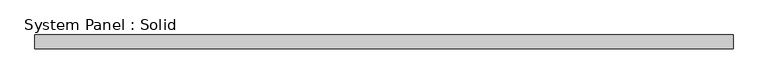
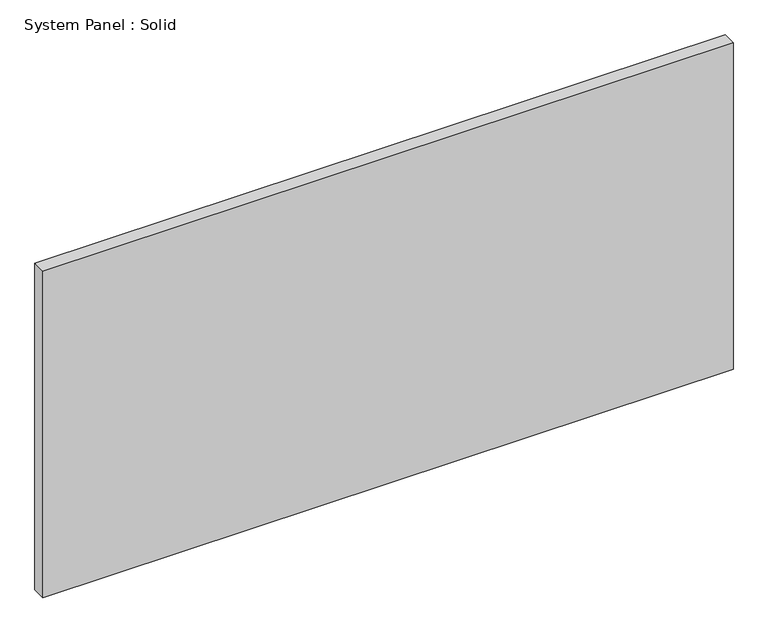
"""IFC4 building model written with IfcOpenShell, lengths in millimetres: plate geometry, System Panel : Solid."""

from ifc_helpers import new_model, si_unit, origin, origin_with_axes, place, context, project, spatial, polyline, outline, extrude, source, transform, mapped, element, save


def system_panel_solid_485e50ad(model_context):
    return source(origin(), model_context, "Body", "SweptSolid", [
        extrude(outline(polyline([(1500.0000002, -10.5), (-1500.0000002, -10.5), (-1500.0000002, 49.5), (1500.0000002, 49.5), (1500.0000002, -10.5)])), origin_with_axes(), (0.0, 0.0, 1.0), 1500.0),
    ])


if __name__ == "__main__":
    model = new_model("IFC4")
    model_context = context("Model", 3, world=origin())
    ifc_project = project(units=[si_unit("LENGTHUNIT", "METRE", prefix="MILLI")], contexts=[model_context])
    site = spatial("IfcSite", under=ifc_project)
    building = spatial("IfcBuilding", under=site)
    placement = place(None, origin())
    system_panel_solid_shape = system_panel_solid_485e50ad(model_context)
    element("IfcPlate", 1, ObjectType="System Panel : Solid", at=placement, inside=building, context=model_context, shape_type="MappedRepresentation", body=[
        mapped(system_panel_solid_shape, transform((0.0, 0.0, 0.0), x_axis=(1.0, 0.0, 0.0), y_axis=(0.0, 1.0, 0.0), z_axis=(0.0, 0.0, 1.0))),
    ])
    save(model, "model.ifc")
